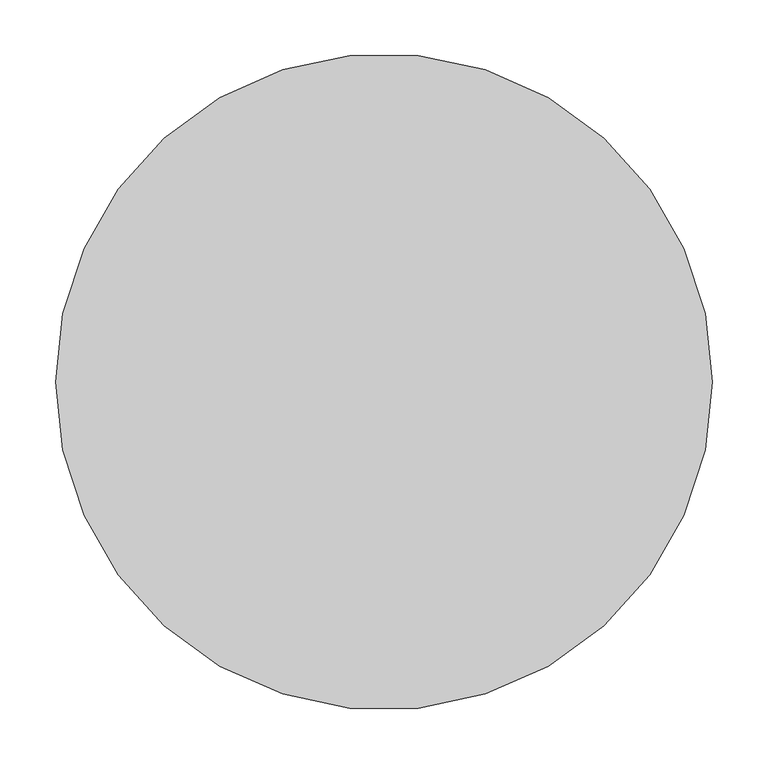
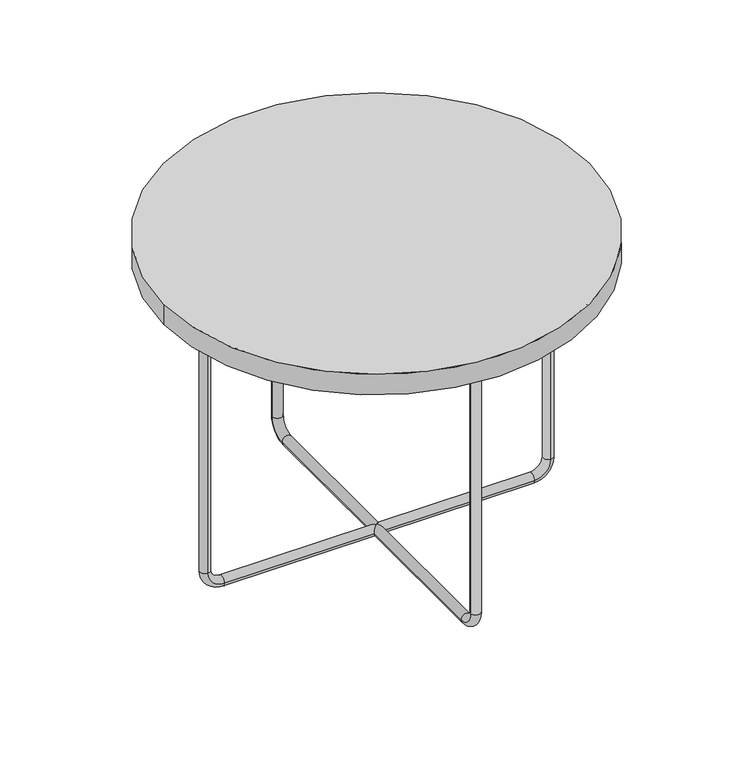
"""IFC4 building model written with IfcOpenShell, lengths in millimetres: furniture geometry."""

from ifc_helpers import new_model, si_unit, point, frame, origin, origin_2d, place, context, project, spatial, circle_curve, ellipse_curve, trimmed, segment, composite_curve, outline, extrude, source, transform, mapped, element, save
from ifc_brep_helpers import plane_surface, cylinder_surface, revolved_surface, advanced_brep


def furniture_05e19328(model_context):
    return source(origin(), model_context, "Body", "SolidModel", [
        advanced_brep(
        [(-7.0, 238.0, 410.0), (7.0, 238.0, 410.0), (-7.0, 238.0, 30.0), (7.0, 238.0, 30.0), (-7.0, 215.0, 7.0), (7.0, 215.0, 7.0), (-7.0, 7.0, 7.0), (0.0, 0.0, 14.0), (7.0, 7.0, 7.0), (-7.0, -215.0, 7.0), (7.0, -215.0, 7.0), (7.0, -7.0, 7.0), (-7.0, -7.0, 7.0), (0.0, 0.0, 0.0), (-7.0, -238.0, 30.0), (7.0, -238.0, 30.0), (-7.0, -238.0, 410.0), (7.0, -238.0, 410.0), (-238.0, 7.0, 410.0), (-238.0, -7.0, 410.0), (-238.0, 7.0, 30.0), (-238.0, -7.0, 30.0), (-215.0, 7.0, 7.0), (-215.0, -7.0, 7.0), (215.0, 7.0, 7.0), (215.0, -7.0, 7.0), (238.0, 7.0, 30.0), (238.0, -7.0, 30.0), (238.0, 7.0, 410.0), (238.0, -7.0, 410.0)],
        [
            (0, 1, circle_curve(frame((0.0, 238.0, 410.0), z_axis=(0.0, 0.0, 1.0), x_axis=(1.0, 0.0, 0.0)), 7.0)),
            (1, 0, circle_curve(frame((0.0, 238.0, 410.0), z_axis=(0.0, 0.0, 1.0), x_axis=(1.0, 0.0, 0.0)), 7.0)),
            (0, 2),
            (2, 3, circle_curve(frame((0.0, 238.0, 30.0), z_axis=(0.0, 0.0, 1.0), x_axis=(1.0, 0.0, 0.0)), 7.0)),
            (3, 1),
            (3, 2, circle_curve(frame((0.0, 238.0, 30.0), z_axis=(0.0, 0.0, 1.0), x_axis=(1.0, 0.0, 0.0)), 7.0)),
            (2, 4, circle_curve(frame((-7.0, 215.0, 30.0), z_axis=(-1.0, 0.0, 0.0), x_axis=(0.0, 1.0, 0.0)), 23.0)),
            (4, 5, circle_curve(frame((0.0, 215.0, 7.0), z_axis=(0.0, 1.0, 0.0), x_axis=(1.0, 0.0, 0.0)), 7.0)),
            (5, 3, circle_curve(frame((7.0, 215.0, 30.0), z_axis=(1.0, 0.0, 0.0), x_axis=(0.0, 1.0, 0.0)), 23.0)),
            (5, 4, circle_curve(frame((0.0, 215.0, 7.0), z_axis=(0.0, 1.0, 0.0), x_axis=(1.0, 0.0, 0.0)), 7.0)),
            (4, 6),
            (6, 7, ellipse_curve(frame((0.0, 0.0, 7.0), z_axis=(0.7071067811865475, 0.7071067811865475, 0.0), x_axis=(-0.7071067811865474, 0.7071067811865476, 0.0)), 9.8994949, 7.0)),
            (7, 8, ellipse_curve(frame((0.0, 0.0, 7.0), z_axis=(-0.7071067811865475, 0.7071067811865475, 0.0), x_axis=(0.7071067811865474, 0.7071067811865476, 0.0)), 9.8994949, 7.0)),
            (8, 5),
            (9, 10, circle_curve(frame((0.0, -215.0, 7.0), z_axis=(0.0, 1.0, 0.0), x_axis=(1.0, 0.0, 0.0)), 7.0)),
            (10, 11),
            (11, 7, ellipse_curve(frame((0.0, 0.0, 7.0), z_axis=(-0.7071067811865475, -0.7071067811865475, 0.0), x_axis=(-0.7071067811865474, 0.7071067811865476, 0.0)), 9.8994949, 7.0)),
            (7, 12, ellipse_curve(frame((0.0, 0.0, 7.0), z_axis=(0.7071067811865475, -0.7071067811865475, 0.0), x_axis=(0.7071067811865474, 0.7071067811865476, 0.0)), 9.8994949, 7.0)),
            (12, 9),
            (8, 13, ellipse_curve(frame((0.0, 0.0, 7.0), z_axis=(-0.7071067811865475, 0.7071067811865475, 0.0), x_axis=(0.7071067811865474, 0.7071067811865476, 0.0)), 9.8994949, 7.0)),
            (13, 6, ellipse_curve(frame((0.0, 0.0, 7.0), z_axis=(0.7071067811865475, 0.7071067811865475, 0.0), x_axis=(-0.7071067811865474, 0.7071067811865476, 0.0)), 9.8994949, 7.0)),
            (10, 9, circle_curve(frame((0.0, -215.0, 7.0), z_axis=(0.0, 1.0, 0.0), x_axis=(1.0, 0.0, 0.0)), 7.0)),
            (12, 13, ellipse_curve(frame((0.0, 0.0, 7.0), z_axis=(0.7071067811865475, -0.7071067811865475, 0.0), x_axis=(0.7071067811865474, 0.7071067811865476, 0.0)), 9.8994949, 7.0)),
            (13, 11, ellipse_curve(frame((0.0, 0.0, 7.0), z_axis=(-0.7071067811865475, -0.7071067811865475, 0.0), x_axis=(-0.7071067811865474, 0.7071067811865476, 0.0)), 9.8994949, 7.0)),
            (9, 14, circle_curve(frame((-7.0, -215.0, 30.0), z_axis=(-1.0, 0.0, 0.0), x_axis=(0.0, 0.0, -1.0)), 23.0)),
            (14, 15, circle_curve(frame((0.0, -238.0, 30.0), z_axis=(0.0, 0.0, -1.0), x_axis=(1.0, 0.0, 0.0)), 7.0)),
            (15, 10, circle_curve(frame((7.0, -215.0, 30.0), z_axis=(1.0, 0.0, 0.0), x_axis=(0.0, 0.0, -1.0)), 23.0)),
            (15, 14, circle_curve(frame((0.0, -238.0, 30.0), z_axis=(0.0, 0.0, -1.0), x_axis=(1.0, 0.0, 0.0)), 7.0)),
            (16, 17, circle_curve(frame((0.0, -238.0, 410.0), z_axis=(0.0, 0.0, 1.0), x_axis=(1.0, 0.0, 0.0)), 7.0)),
            (17, 16, circle_curve(frame((0.0, -238.0, 410.0), z_axis=(0.0, 0.0, 1.0), x_axis=(1.0, 0.0, 0.0)), 7.0)),
            (14, 16),
            (17, 15),
            (18, 19, circle_curve(frame((-238.0, 0.0, 410.0), z_axis=(0.0, 0.0, 1.0), x_axis=(0.0, -1.0, 0.0)), 7.0)),
            (19, 18, circle_curve(frame((-238.0, 0.0, 410.0), z_axis=(0.0, 0.0, 1.0), x_axis=(0.0, -1.0, 0.0)), 7.0)),
            (18, 20),
            (20, 21, circle_curve(frame((-238.0, 0.0, 30.0), z_axis=(0.0, 0.0, 1.0), x_axis=(0.0, -1.0, 0.0)), 7.0)),
            (21, 19),
            (21, 20, circle_curve(frame((-238.0, 0.0, 30.0), z_axis=(0.0, 0.0, 1.0), x_axis=(0.0, -1.0, 0.0)), 7.0)),
            (20, 22, circle_curve(frame((-215.0, 7.0, 30.0), z_axis=(0.0, -1.0, 0.0), x_axis=(-1.0, 0.0, 0.0)), 23.0)),
            (22, 23, circle_curve(frame((-215.0, 0.0, 7.0), z_axis=(-1.0, 0.0, 0.0), x_axis=(0.0, -1.0, 0.0)), 7.0)),
            (23, 21, circle_curve(frame((-215.0, -7.0, 30.0), z_axis=(0.0, 1.0, 0.0), x_axis=(-1.0, 0.0, 0.0)), 23.0)),
            (23, 22, circle_curve(frame((-215.0, 0.0, 7.0), z_axis=(-1.0, 0.0, 0.0), x_axis=(0.0, -1.0, 0.0)), 7.0)),
            (22, 6),
            (12, 23),
            (24, 25, circle_curve(frame((215.0, 0.0, 7.0), z_axis=(-1.0, 0.0, 0.0), x_axis=(0.0, -1.0, 0.0)), 7.0)),
            (25, 11),
            (8, 24),
            (25, 24, circle_curve(frame((215.0, 0.0, 7.0), z_axis=(-1.0, 0.0, 0.0), x_axis=(0.0, -1.0, 0.0)), 7.0)),
            (24, 26, circle_curve(frame((215.0, 7.0, 30.0), z_axis=(0.0, -1.0, 0.0), x_axis=(0.0, 0.0, -1.0)), 23.0)),
            (26, 27, circle_curve(frame((238.0, 0.0, 30.0), z_axis=(0.0, 0.0, -1.0), x_axis=(0.0, -1.0, 0.0)), 7.0)),
            (27, 25, circle_curve(frame((215.0, -7.0, 30.0), z_axis=(0.0, 1.0, 0.0), x_axis=(0.0, 0.0, -1.0)), 23.0)),
            (27, 26, circle_curve(frame((238.0, 0.0, 30.0), z_axis=(0.0, 0.0, -1.0), x_axis=(0.0, -1.0, 0.0)), 7.0)),
            (28, 29, circle_curve(frame((238.0, 0.0, 410.0), z_axis=(0.0, 0.0, 1.0), x_axis=(0.0, -1.0, 0.0)), 7.0)),
            (29, 28, circle_curve(frame((238.0, 0.0, 410.0), z_axis=(0.0, 0.0, 1.0), x_axis=(0.0, -1.0, 0.0)), 7.0)),
            (26, 28),
            (29, 27),
        ],
        [
            plane_surface(frame((0.0, 245.0, 410.0), z_axis=(0.0, 0.0, 1.0), x_axis=(1.0, 0.0, 0.0))),
            cylinder_surface(frame((0.0, 238.0, 410.0), z_axis=(0.0, 0.0, 1.0), x_axis=(1.0, 0.0, 0.0)), 7.0),
            revolved_surface(trimmed(ellipse_curve(frame((0.0, 238.0, 30.0), z_axis=(0.0, 0.0, 1.0), x_axis=(1.0, 0.0, 0.0)), 7.0, 7.0), [point((-7.0, 238.0, 30.0))], [point((7.0, 238.0, 30.0))], True, "CARTESIAN"), (0.0, 215.0, 30.0), (-1.0, 0.0, 0.0)),
            revolved_surface(trimmed(ellipse_curve(frame((0.0, 238.0, 30.0), z_axis=(0.0, 0.0, 1.0), x_axis=(1.0, 0.0, 0.0)), 7.0, 7.0), [point((7.0, 238.0, 30.0))], [point((-7.0, 238.0, 30.0))], True, "CARTESIAN"), (0.0, 215.0, 30.0), (-1.0, 0.0, 0.0)),
            cylinder_surface(frame((0.0, 215.0, 7.0), z_axis=(0.0, 1.0, 0.0), x_axis=(1.0, 0.0, 0.0)), 7.0),
            revolved_surface(trimmed(ellipse_curve(frame((0.0, -215.0, 7.0), z_axis=(0.0, 1.0, 0.0), x_axis=(1.0, 0.0, 0.0)), 7.0, 7.0), [point((-7.0, -215.0, 7.0))], [point((7.0, -215.0, 7.0))], True, "CARTESIAN"), (0.0, -215.0, 30.0), (-1.0, 0.0, 0.0)),
            revolved_surface(trimmed(ellipse_curve(frame((0.0, -215.0, 7.0), z_axis=(0.0, 1.0, 0.0), x_axis=(1.0, 0.0, 0.0)), 7.0, 7.0), [point((7.0, -215.0, 7.0))], [point((-7.0, -215.0, 7.0))], True, "CARTESIAN"), (0.0, -215.0, 30.0), (-1.0, 0.0, 0.0)),
            plane_surface(frame((0.0, -245.0, 410.0), z_axis=(0.0, 0.0, 1.0), x_axis=(1.0, 0.0, 0.0))),
            cylinder_surface(frame((0.0, -238.0, 30.0), z_axis=(0.0, 0.0, -1.0), x_axis=(1.0, 0.0, 0.0)), 7.0),
            plane_surface(frame((-245.0, 0.0, 410.0), z_axis=(0.0, 0.0, 1.0), x_axis=(0.0, -1.0, 0.0))),
            cylinder_surface(frame((-238.0, 0.0, 410.0), z_axis=(0.0, 0.0, 1.0), x_axis=(0.0, -1.0, 0.0)), 7.0),
            revolved_surface(trimmed(ellipse_curve(frame((-238.0, 0.0, 30.0), z_axis=(0.0, 0.0, 1.0), x_axis=(0.0, -1.0, 0.0)), 7.0, 7.0), [point((-238.0, 7.0, 30.0))], [point((-238.0, -7.0, 30.0))], True, "CARTESIAN"), (-215.0, 0.0, 30.0), (0.0, -1.0, 0.0)),
            revolved_surface(trimmed(ellipse_curve(frame((-238.0, 0.0, 30.0), z_axis=(0.0, 0.0, 1.0), x_axis=(0.0, -1.0, 0.0)), 7.0, 7.0), [point((-238.0, -7.0, 30.0))], [point((-238.0, 7.0, 30.0))], True, "CARTESIAN"), (-215.0, 0.0, 30.0), (0.0, -1.0, 0.0)),
            cylinder_surface(frame((-215.0, 0.0, 7.0), z_axis=(-1.0, 0.0, 0.0), x_axis=(0.0, -1.0, 0.0)), 7.0),
            revolved_surface(trimmed(ellipse_curve(frame((215.0, 0.0, 7.0), z_axis=(-1.0, 0.0, 0.0), x_axis=(0.0, -1.0, 0.0)), 7.0, 7.0), [point((215.0, 7.0, 7.0))], [point((215.0, -7.0, 7.0))], True, "CARTESIAN"), (215.0, 0.0, 30.0), (0.0, -1.0, 0.0)),
            revolved_surface(trimmed(ellipse_curve(frame((215.0, 0.0, 7.0), z_axis=(-1.0, 0.0, 0.0), x_axis=(0.0, -1.0, 0.0)), 7.0, 7.0), [point((215.0, -7.0, 7.0))], [point((215.0, 7.0, 7.0))], True, "CARTESIAN"), (215.0, 0.0, 30.0), (0.0, -1.0, 0.0)),
            plane_surface(frame((245.0, 0.0, 410.0), z_axis=(0.0, 0.0, 1.0), x_axis=(0.0, -1.0, 0.0))),
            cylinder_surface(frame((238.0, 0.0, 30.0), z_axis=(0.0, 0.0, -1.0), x_axis=(0.0, -1.0, 0.0)), 7.0),
        ],
        [
            (0, [[1, 2]]),
            (1, [[-1, 3, 4, 5]]),
            (1, [[-2, -5, 6, -3]]),
            (2, [[-4, 7, 8, 9]]),
            (3, [[-6, -9, 10, -7]]),
            (4, [[-8, 11, 12, 13, 14]]),
            (4, [[15, 16, 17, 18, 19]]),
            (4, [[-10, -14, 20, 21, -11]]),
            (4, [[22, -19, 23, 24, -16]]),
            (5, [[-15, 25, 26, 27]]),
            (6, [[-22, -27, 28, -25]]),
            (7, [[29, 30]]),
            (8, [[-26, 31, -30, 32]]),
            (8, [[-28, -32, -29, -31]]),
            (9, [[33, 34]]),
            (10, [[-33, 35, 36, 37]]),
            (10, [[-34, -37, 38, -35]]),
            (11, [[-36, 39, 40, 41]]),
            (12, [[-38, -41, 42, -39]]),
            (13, [[-40, 43, -21, -23, 44]]),
            (13, [[45, 46, -24, -20, 47]]),
            (13, [[-42, -44, -18, -12, -43]]),
            (13, [[48, -47, -13, -17, -46]]),
            (14, [[-45, 49, 50, 51]]),
            (15, [[-48, -51, 52, -49]]),
            (16, [[53, 54]]),
            (17, [[-50, 55, -54, 56]]),
            (17, [[-52, -56, -53, -55]]),
        ],
    ),
        extrude(outline(composite_curve([segment(trimmed(circle_curve(origin_2d(), 295.0), [point((295.0, 0.0))], [point((-295.0, 0.0))], False, "CARTESIAN"), True, "CONTINUOUS"), segment(trimmed(circle_curve(origin_2d(), 295.0), [point((-295.0, 0.0))], [point((295.0, 0.0))], False, "CARTESIAN"), True, "CONTINUOUS")], self_intersect=False)), frame((0.0, 0.0, 410.0), z_axis=(0.0, 0.0, 1.0), x_axis=(1.0, 0.0, 0.0)), (0.0, 0.0, 1.0), 30.0),
    ])


if __name__ == "__main__":
    model = new_model("IFC4")
    model_context = context("Model", 3, world=origin())
    ifc_project = project(units=[si_unit("LENGTHUNIT", "METRE", prefix="MILLI")], contexts=[model_context])
    site = spatial("IfcSite", under=ifc_project)
    building = spatial("IfcBuilding", under=site)
    placement = place(None, origin())
    furniture_shape = furniture_05e19328(model_context)
    element("IfcFurniture", 1, at=placement, inside=building, context=model_context, shape_type="MappedRepresentation", body=[
        mapped(furniture_shape, transform((0.0, 0.0, 0.0), x_axis=(1.0, 0.0, 0.0), y_axis=(0.0, 1.0, 0.0), z_axis=(0.0, 0.0, 1.0))),
    ])
    save(model, "model.ifc")
